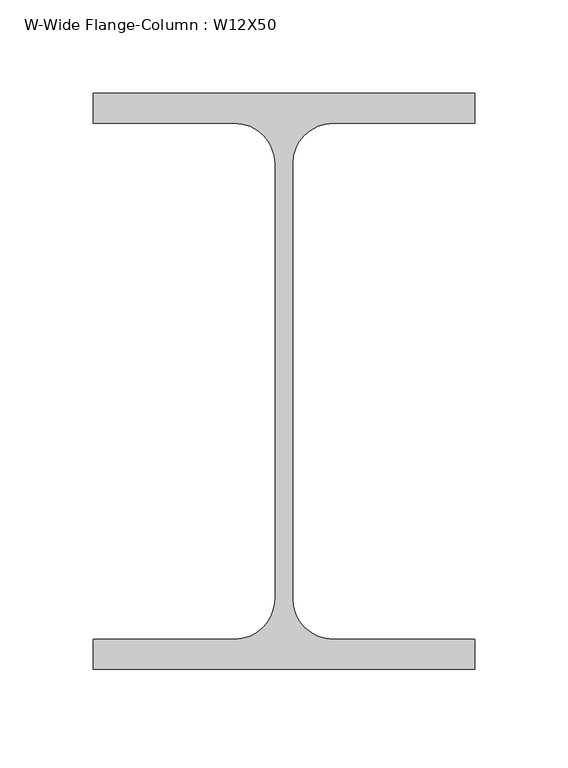
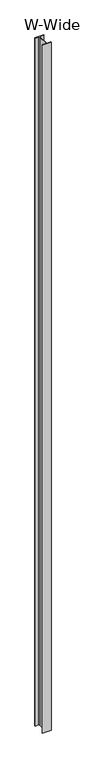
"""IFC4 building model written with IfcOpenShell, lengths in millimetres: column geometry, W-Wide Flange-Column : W12X50."""

from ifc_helpers import new_model, si_unit, point, frame, frame_2d, origin, place, context, project, spatial, polyline, circle_curve, trimmed, segment, composite_curve, outline, extrude, source, transform, mapped, element, save


def w_wide_flange_column_w12x50_628c849f(model_context):
    return source(origin(), model_context, "Body", "SweptSolid", [
        extrude(outline(composite_curve([segment(polyline([(102.5921875, 154.9300781), (102.5921875, 138.6582031), (26.5410156, 138.6582031)]), True, "CONTINUOUS"), segment(trimmed(circle_curve(frame_2d((26.5410156, 116.8300781)), 21.828125), [point((26.5410156, 138.6582031))], [point((4.7128906, 116.8300781))], True, "CARTESIAN"), True, "CONTINUOUS"), segment(polyline([(4.7128906, 116.8300781), (4.7128906, -116.8300781)]), True, "CONTINUOUS"), segment(trimmed(circle_curve(frame_2d((26.5410156, -116.8300781)), 21.828125), [point((4.7128906, -116.8300781))], [point((26.5410156, -138.6582031))], True, "CARTESIAN"), True, "CONTINUOUS"), segment(polyline([(26.5410156, -138.6582031), (102.5921875, -138.6582031), (102.5921875, -154.9300781), (-102.5921875, -154.9300781), (-102.5921875, -138.6582031), (-26.5410156, -138.6582031)]), True, "CONTINUOUS"), segment(trimmed(circle_curve(frame_2d((-26.5410156, -116.8300781)), 21.828125), [point((-26.5410156, -138.6582031))], [point((-4.7128906, -116.8300781))], True, "CARTESIAN"), True, "CONTINUOUS"), segment(polyline([(-4.7128906, -116.8300781), (-4.7128906, 116.8300781)]), True, "CONTINUOUS"), segment(trimmed(circle_curve(frame_2d((-26.5410156, 116.8300781)), 21.828125), [point((-4.7128906, 116.8300781))], [point((-26.5410156, 138.6582031))], True, "CARTESIAN"), True, "CONTINUOUS"), segment(polyline([(-26.5410156, 138.6582031), (-102.5921875, 138.6582031), (-102.5921875, 154.9300781), (102.5921875, 154.9300781)]), True, "CONTINUOUS")], self_intersect=False)), frame((0.0, 0.0, -863.6), z_axis=(0.0, 0.0, 1.0), x_axis=(1.0, 0.0, 0.0)), (0.0, 0.0, 1.0), 17322.8),
    ])


if __name__ == "__main__":
    model = new_model("IFC4")
    model_context = context("Model", 3, world=origin())
    ifc_project = project(units=[si_unit("LENGTHUNIT", "METRE", prefix="MILLI")], contexts=[model_context])
    site = spatial("IfcSite", under=ifc_project)
    building = spatial("IfcBuilding", under=site)
    placement = place(None, origin())
    w_wide_flange_column_w12x50_shape = w_wide_flange_column_w12x50_628c849f(model_context)
    element("IfcColumn", 1, ObjectType="W-Wide Flange-Column : W12X50", at=placement, inside=building, context=model_context, shape_type="MappedRepresentation", body=[
        mapped(w_wide_flange_column_w12x50_shape, transform((0.0, 0.0, 0.0), x_axis=(1.0, 0.0, 0.0), y_axis=(0.0, 1.0, 0.0), z_axis=(0.0, 0.0, 1.0))),
    ])
    save(model, "model.ifc")
